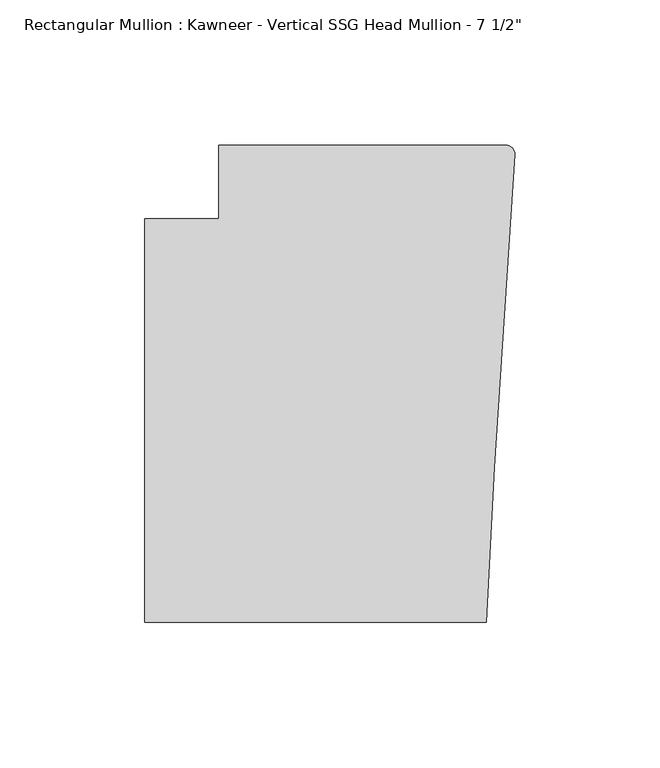
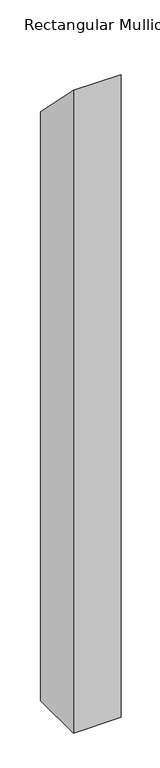
"""IFC4 building model written with IfcOpenShell, lengths in millimetres: member geometry."""

import ifcopenshell
import ifcopenshell.guid

model = None  # the IFC model being written
_history = None  # IfcOwnerHistory: only IFC2X3 demands one
_inside = {}  # id of a spatial element -> (the spatial element, [elements in it])
_under = {}  # id of a project, library or spatial element -> (it, [spatial elements below it])
_declared = {}  # id of a project -> (the project, [libraries it declares])
_typed = {}  # id of a type object -> (the type object, [elements of that type])
_made_of = {}  # id of a material, layer set ... -> (it, [elements and type objects made of it])


def new_model(schema):
    """Start an empty IFC model of exactly this schema.

    Asked for "IFC4X3", IfcOpenShell would pick the latest addendum, in which some entities
    have other attributes; the version numbers below select the first issue.
    IFC2X3 requires an IfcOwnerHistory on every rooted entity: one is made here for all.
    """
    global model, _history
    if schema == "IFC4X3":
        model = ifcopenshell.file(schema_version=(4, 3, 0, 0))
    else:
        model = ifcopenshell.file(schema=schema)
    _inside.clear()
    _under.clear()
    _declared.clear()
    _typed.clear()
    _made_of.clear()
    _history = None
    if model.schema == "IFC2X3":
        org = make("IfcOrganization", Name="unknown")
        user = make(
            "IfcPersonAndOrganization",
            ThePerson=make("IfcPerson", FamilyName="unknown"),
            TheOrganization=org,
        )
        app = make(
            "IfcApplication",
            ApplicationDeveloper=org,
            Version="unknown",
            ApplicationFullName="unknown",
            ApplicationIdentifier="unknown",
        )
        _history = make(
            "IfcOwnerHistory",
            OwningUser=user,
            OwningApplication=app,
            ChangeAction="ADDED",
            CreationDate=0,
        )
    return model


def make(cls, **values):
    """One entity of the class cls with the attributes given. An attribute that is None is left unset."""
    return model.create_entity(
        cls, **{name: value for name, value in values.items() if value is not None}
    )


def rooted(cls, **values):
    """An entity with a GlobalId (a new one), such as an element, a storey or a relation."""
    return make(cls, GlobalId=ifcopenshell.guid.new(), OwnerHistory=_history, **values)


def si_unit(unit_type, name, prefix=None):
    """IfcSIUnit, for example si_unit("LENGTHUNIT", "METRE", prefix="MILLI")."""
    return make("IfcSIUnit", UnitType=unit_type, Prefix=prefix, Name=name)


def assignment(units):
    """IfcUnitAssignment: the units of a project."""
    return None if units is None else make("IfcUnitAssignment", Units=units)


def point(xyz):
    """IfcCartesianPoint."""
    return None if xyz is None else make("IfcCartesianPoint", Coordinates=xyz)


def direction(xyz):
    """IfcDirection."""
    return None if xyz is None else make("IfcDirection", DirectionRatios=xyz)


def frame(location, z_axis=None, x_axis=None):
    """IfcAxis2Placement3D, a coordinate frame: its origin and axes. An axis left out is left unset."""
    return make(
        "IfcAxis2Placement3D",
        Location=point(location),
        Axis=direction(z_axis),
        RefDirection=direction(x_axis),
    )


def origin():
    """The frame at (0, 0, 0) with its axes left unset."""
    return frame((0.0, 0.0, 0.0))


def place(relative_to, where):
    """IfcLocalPlacement: puts the frame where relative to a parent placement (None: the world)."""
    return make(
        "IfcLocalPlacement", PlacementRelTo=relative_to, RelativePlacement=where
    )


def context(
    kind, dimensions, precision=None, world=None, true_north=None, identifier=None
):
    """IfcGeometricRepresentationContext, for example the 3D "Model" context."""
    return make(
        "IfcGeometricRepresentationContext",
        ContextIdentifier=identifier,
        ContextType=kind,
        CoordinateSpaceDimension=dimensions,
        Precision=precision,
        WorldCoordinateSystem=world,
        TrueNorth=true_north,
    )


def project(units=None, contexts=None):
    """IfcProject with its units and contexts."""
    return rooted(
        "IfcProject",
        Name="project",
        RepresentationContexts=contexts,
        UnitsInContext=assignment(units),
    )


def spatial(cls, under=None, at=None, **own):
    """A site, building, storey or space (cls), placed at a placement, below another one or the project."""
    s = rooted(cls, ObjectPlacement=at, **own)
    if under is not None:
        _under.setdefault(under.id(), (under, []))[1].append(s)
    return s


def circle_curve(where, radius):
    """IfcCircle in the frame where."""
    return make("IfcCircle", Position=where, Radius=radius)


def ellipse_curve(where, semi_axis1, semi_axis2):
    """IfcEllipse in the frame where."""
    return make(
        "IfcEllipse", Position=where, SemiAxis1=semi_axis1, SemiAxis2=semi_axis2
    )


def shape(context_of_items, identifier, shape_type, items):
    """IfcShapeRepresentation: the items that make up one representation, for example the "Body"."""
    return make(
        "IfcShapeRepresentation",
        ContextOfItems=context_of_items,
        RepresentationIdentifier=identifier,
        RepresentationType=shape_type,
        Items=items,
    )


def source(mapping_origin, context_of_items, identifier, shape_type, items):
    """IfcRepresentationMap: a shape defined once, which mapped items show again and again."""
    return make(
        "IfcRepresentationMap",
        MappingOrigin=mapping_origin,
        MappedRepresentation=shape(context_of_items, identifier, shape_type, items),
    )


def transform(
    local_origin,
    x_axis=None,
    y_axis=None,
    z_axis=None,
    scale=None,
    scale2=None,
    scale3=None,
    uniform=True,
):
    """IfcCartesianTransformationOperator3D, or its non-uniform kind. x_axis, y_axis, z_axis: its Axis1, 2, 3."""
    if uniform:
        return make(
            "IfcCartesianTransformationOperator3D",
            Axis1=direction(x_axis),
            Axis2=direction(y_axis),
            LocalOrigin=point(local_origin),
            Scale=scale,
            Axis3=direction(z_axis),
        )
    return make(
        "IfcCartesianTransformationOperator3DnonUniform",
        Axis1=direction(x_axis),
        Axis2=direction(y_axis),
        LocalOrigin=point(local_origin),
        Scale=scale,
        Axis3=direction(z_axis),
        Scale2=scale2,
        Scale3=scale3,
    )


def mapped(mapping_source, mapping_target):
    """IfcMappedItem: shows the shape of a source again, moved by a transform."""
    return make(
        "IfcMappedItem", MappingSource=mapping_source, MappingTarget=mapping_target
    )


def made_of(thing, what):
    """Note that an element or type object is made of a material, layer set ...; save() writes the relation."""
    if what is not None:
        _made_of.setdefault(what.id(), (what, []))[1].append(thing)
    return thing


def element(
    cls,
    number,
    at=None,
    inside=None,
    cuts=None,
    type_object=None,
    material=None,
    context=None,
    identifier="Body",
    shape_type=None,
    held_by="IfcProductDefinitionShape",
    body=None,
    shapes=None,
    **own,
):
    """One element of the class cls, such as IfcWall. Its Tag is "e" and its number.

    at: its placement. inside: the storey or other place that contains it. cuts: it is an
    opening in that element (IfcRelVoidsElement). A single representation is given by context,
    identifier, shape_type and body (its items); several are given by shapes. held_by: the class
    of the entity that holds the representations. save() writes the other relations.
    """
    e = rooted(cls, Tag="e%d" % number, ObjectPlacement=at, **own)
    if body is not None:
        shapes = [shape(context, identifier, shape_type, body)]
    if shapes is not None:
        e.Representation = make(held_by, Representations=shapes)
    if inside is not None:
        _inside.setdefault(inside.id(), (inside, []))[1].append(e)
    if cuts is not None:
        rooted(
            "IfcRelVoidsElement", RelatingBuildingElement=cuts, RelatedOpeningElement=e
        )
    if type_object is not None:
        _typed.setdefault(type_object.id(), (type_object, []))[1].append(e)
    return made_of(e, material)


def aggregate(whole, parts):
    """IfcRelAggregates: a whole, such as a stair, and the parts it consists of."""
    return rooted("IfcRelAggregates", RelatingObject=whole, RelatedObjects=parts)


def save(model, path):
    """Write the relations noted so far, then the file.

    IfcRelAggregates (storeys below a building ...), IfcRelContainedInSpatialStructure (elements
    in a storey), IfcRelDefinesByType, IfcRelAssociatesMaterial and IfcRelDeclares: one each for
    every whole, place, type object, material and project.
    """
    for whole, parts in _under.values():
        aggregate(whole, parts)
    for where, things in _inside.values():
        rooted(
            "IfcRelContainedInSpatialStructure",
            RelatedElements=things,
            RelatingStructure=where,
        )
    for kind, things in _typed.values():
        rooted("IfcRelDefinesByType", RelatedObjects=things, RelatingType=kind)
    for what, things in _made_of.values():
        rooted("IfcRelAssociatesMaterial", RelatedObjects=things, RelatingMaterial=what)
    for by, libraries in _declared.values():
        rooted("IfcRelDeclares", RelatingContext=by, RelatedDefinitions=libraries)
    model.write(path)


def plane_surface(at):
    """IfcPlane: the flat surface through the origin of the frame at, square to its z axis."""
    return make("IfcPlane", Position=at)


def cylinder_surface(at, radius):
    """IfcCylindricalSurface: all points at the distance radius from the z axis of the frame at."""
    return make("IfcCylindricalSurface", Position=at, Radius=radius)


def advanced_brep(points, edges, surfaces, faces):
    """IfcAdvancedBrep: a solid bounded by faces that lie on surfaces and meet in shared edges.

    An edge is (start, end): straight between two places in points (the first is 0);
    or (start, end, curve); or (start, end, curve, False) where it runs against its curve.
    A face is (place in surfaces, loops), or (place, loops, False) where it looks against
    its surface's normal. A loop lists edges by number (the first is 1), with a minus sign
    where the edge is run from its end to its start. The first loop is the outer one.
    """
    corners = [point(p) for p in points]
    vertices = [make("IfcVertexPoint", VertexGeometry=c) for c in corners]
    made = []
    for start, end, *more in edges:
        made.append(
            make(
                "IfcEdgeCurve",
                EdgeStart=vertices[start],
                EdgeEnd=vertices[end],
                EdgeGeometry=more[0] if more else make("IfcPolyline", Points=[corners[start], corners[end]]),
                SameSense=more[1] if len(more) > 1 else True,
            )
        )
    hull = []
    for where, loops, *sense in faces:
        bounds = []
        for j, loop in enumerate(loops):
            ring = [make("IfcOrientedEdge", EdgeElement=made[abs(k) - 1], Orientation=k > 0) for k in loop]
            bounds.append(
                make(
                    "IfcFaceOuterBound" if j == 0 else "IfcFaceBound",
                    Bound=make("IfcEdgeLoop", EdgeList=ring),
                    Orientation=True,
                )
            )
        hull.append(make("IfcAdvancedFace", Bounds=bounds, FaceSurface=surfaces[where], SameSense=sense[0] if sense else True))
    return make("IfcAdvancedBrep", Outer=make("IfcClosedShell", CfsFaces=hull))


def member_c520a0d7(model_context):
    return source(origin(), model_context, "Body", "AdvancedBrep", [
        advanced_brep(
        [(-102.08978, 12.7, -1519.5331727), (-3.175, 12.7, -1519.5331727), (-0.006635, 9.3198462, -1519.5331727), (-6.9873394, -98.4891117, -1519.5331727), (-9.7860662, -151.892, -1519.5331727), (-127.4896668, -151.892, -1519.5331727), (-127.4896668, -12.7, -1519.5331727), (-102.08978, -12.7, -1519.5331727), (-102.08978, -12.7, 12.7), (-102.08978, 12.7, -12.7), (-127.4896668, -12.7, 12.7), (-127.4896668, -151.892, 151.892), (-9.7860662, -151.892, 151.892), (-6.9873394, -98.4891117, 98.4891117), (-0.006635, 9.3198462, -9.3198462), (-3.175, 12.7, -12.7)],
        [
            (0, 1),
            (1, 2, circle_curve(frame((-3.175, 9.525, -1519.5331727), z_axis=(0.0, 0.0, -1.0), x_axis=(0.0, 1.0, 0.0)), 3.175)),
            (2, 3),
            (3, 4),
            (4, 5),
            (5, 6),
            (6, 7),
            (7, 0),
            (8, 9),
            (9, 0),
            (7, 8),
            (10, 8),
            (6, 10),
            (11, 10),
            (5, 11),
            (12, 11),
            (4, 12),
            (13, 12),
            (3, 13),
            (14, 13),
            (2, 14),
            (15, 14, ellipse_curve(frame((-3.175, 9.525, -9.525), z_axis=(0.0, -0.7071067811865482, -0.7071067811865468), x_axis=(0.0, -0.7071067811865469, 0.7071067811865482)), 4.4901281, 3.175)),
            (1, 15),
            (9, 15),
        ],
        [
            plane_surface(frame((0.0, -198.3048028, -1519.5331727), z_axis=(0.0, 0.0, -1.0), x_axis=(-1.0, 0.0, 0.0))),
            plane_surface(frame((-102.08978, 12.7, 0.0), z_axis=(-1.0, 0.0, 0.0), x_axis=(0.0, 0.0, -1.0))),
            plane_surface(frame((-102.08978, -12.7, 0.0), z_axis=(0.0, 1.0, 0.0), x_axis=(0.0, 0.0, -1.0))),
            plane_surface(frame((-127.4896668, -12.7, 0.0), z_axis=(-1.0, 0.0, 0.0), x_axis=(0.0, 0.0, -1.0))),
            plane_surface(frame((-127.4896668, -151.892, 0.0), z_axis=(0.0, -1.0, 0.0), x_axis=(0.0, 0.0, -1.0))),
            plane_surface(frame((-9.7860662, -151.892, 0.0), z_axis=(0.9986295347545738, -0.05233595624294541, 0.0), x_axis=(0.0, 0.0, -1.0))),
            plane_surface(frame((-6.9873394, -98.4891117, 0.0), z_axis=(0.9979102429769694, -0.06461537712995265, 0.0), x_axis=(0.0, 0.0, -1.0))),
            cylinder_surface(frame((-3.175, 9.525, 0.0), z_axis=(0.0, 0.0, 1.0), x_axis=(0.0, 1.0, 0.0)), 3.175),
            plane_surface(frame((-3.175, 12.7, 0.0), z_axis=(0.0, 1.0, 0.0), x_axis=(0.0, 0.0, -1.0))),
            plane_surface(frame((-304.8, 0.0, 0.0), z_axis=(0.0, 0.7071067811865482, 0.7071067811865468), x_axis=(0.0, 0.7071067811865468, -0.7071067811865482))),
        ],
        [
            (0, [[1, 2, 3, 4, 5, 6, 7, 8]]),
            (1, [[9, 10, -8, 11]]),
            (2, [[12, -11, -7, 13]]),
            (3, [[14, -13, -6, 15]]),
            (4, [[16, -15, -5, 17]]),
            (5, [[18, -17, -4, 19]]),
            (6, [[20, -19, -3, 21]]),
            (7, [[22, -21, -2, 23]]),
            (8, [[24, -23, -1, -10]]),
            (9, [[-9, -12, -14, -16, -18, -20, -22, -24]]),
        ],
    ),
    ])


if __name__ == "__main__":
    model = new_model("IFC4")
    model_context = context("Model", 3, world=origin())
    ifc_project = project(units=[si_unit("LENGTHUNIT", "METRE", prefix="MILLI")], contexts=[model_context])
    site = spatial("IfcSite", under=ifc_project)
    building = spatial("IfcBuilding", under=site)
    placement = place(None, origin())
    member_shape = member_c520a0d7(model_context)
    element("IfcMember", 1, ObjectType="Rectangular Mullion : Kawneer - Vertical SSG Head Mullion - 7 1/2\"", at=placement, inside=building, context=model_context, shape_type="MappedRepresentation", body=[
        mapped(member_shape, transform((0.0, 0.0, 0.0), x_axis=(1.0, 0.0, 0.0), y_axis=(0.0, 1.0, 0.0), z_axis=(0.0, 0.0, 1.0))),
    ])
    save(model, "model.ifc")
